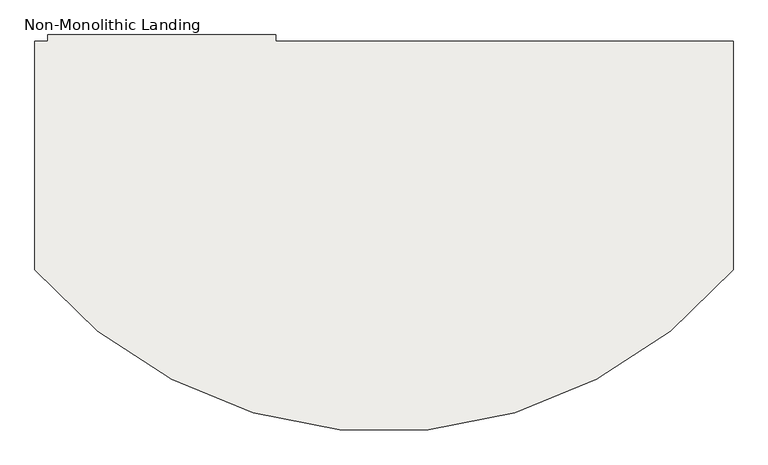
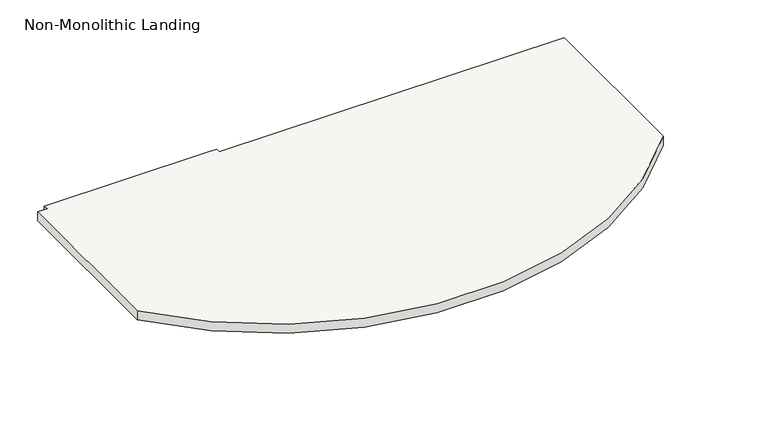
"""IFC4 building model written with IfcOpenShell, lengths in millimetres: slab geometry, Non-Monolithic Landing."""

from ifc_helpers import new_model, si_unit, frame, origin, place, context, project, spatial, circle_curve, source, transform, mapped, element, save
from ifc_brep_helpers import plane_surface, cylinder_surface, advanced_brep


def non_monolithic_landing_85afd6c9(model_context):
    return source(origin(), model_context, "Body", "AdvancedBrep", [
        advanced_brep(
        [(-11679.2352085, -56415.1253753, 2266.95), (-11679.2352085, -56440.5253753, 2241.55), (-12593.6352085, -56440.5253753, 2241.55), (-12593.6352085, -56415.1253753, 2266.95), (-13510.4729688, -56415.1253753, 2286.0), (-13510.4729688, -56389.7253753, 2286.0), (-13561.2729688, -56389.7253753, 2286.0), (-14424.8729688, -56389.7253753, 2286.0), (-14424.8729688, -56415.1253753, 2286.0), (-14475.6729688, -56415.1253753, 2286.0), (-14475.6729688, -57329.5253753, 2286.0), (-11679.2352085, -57329.5253753, 2286.0), (-11679.2352085, -56415.1253753, 2286.0), (-13510.4729688, -56389.7253753, 2235.2), (-13510.4729688, -56415.1253753, 2235.2), (-12593.6352085, -56415.1253753, 2235.2), (-12593.6352085, -56440.5253753, 2235.2), (-11679.2352085, -56440.5253753, 2235.2), (-11679.2352085, -57329.5253753, 2235.2), (-14475.6729688, -57329.5253753, 2235.2), (-14475.6729688, -56415.1253753, 2235.2), (-14424.8729688, -56415.1253753, 2235.2), (-14424.8729688, -56389.7253753, 2235.2), (-13561.2729688, -56389.7253753, 2235.2)],
        [
            (0, 1),
            (1, 2),
            (2, 3),
            (3, 0),
            (4, 5),
            (5, 6),
            (6, 7),
            (7, 8),
            (8, 9),
            (9, 10),
            (10, 11, circle_curve(frame((-13077.4540887, -56150.7576275, 2286.0), z_axis=(0.0, 0.0, 1.0), x_axis=(1.0, 0.0, 0.0)), 1828.8)),
            (11, 12),
            (12, 4),
            (13, 14),
            (14, 15),
            (15, 16),
            (16, 17),
            (17, 18),
            (18, 19, circle_curve(frame((-13077.4540887, -56150.7576275, 2235.2), z_axis=(0.0, 0.0, -1.0), x_axis=(1.0, 0.0, 0.0)), 1828.8)),
            (19, 20),
            (20, 21),
            (21, 22),
            (22, 23),
            (23, 13),
            (16, 2),
            (1, 17),
            (15, 3),
            (6, 23),
            (22, 7),
            (9, 20),
            (19, 10),
            (11, 18),
            (0, 12),
            (4, 14),
            (13, 5),
            (21, 8),
        ],
        [
            plane_surface(frame((-12593.6352085, -56415.1253753, 2266.95), z_axis=(0.0, 0.7071067811865489, -0.7071067811865461), x_axis=(1.0, 0.0, 0.0))),
            plane_surface(frame((-13510.4729688, -56415.1253753, 2286.0), z_axis=(0.0, 0.0, 1.0), x_axis=(0.0, 1.0, 0.0))),
            plane_surface(frame((-13510.4729688, -56415.1253753, 2235.2), z_axis=(0.0, 0.0, -1.0), x_axis=(0.0, -1.0, 0.0))),
            plane_surface(frame((-11679.2352085, -56440.5253753, 2286.0), z_axis=(0.0, 1.0, 0.0), x_axis=(0.0, 0.0, -1.0))),
            plane_surface(frame((-12593.6352085, -56440.5253753, 2286.0), z_axis=(1.0, 0.0, 0.0), x_axis=(0.0, 0.0, -1.0))),
            plane_surface(frame((-13561.2729688, -56389.7253753, 2286.0), z_axis=(0.0, 1.0, 0.0), x_axis=(0.0, 0.0, -1.0))),
            plane_surface(frame((-14475.6729688, -56415.1253753, 2286.0), z_axis=(-1.0, 0.0, 0.0), x_axis=(0.0, 0.0, -1.0))),
            plane_surface(frame((-11679.2352085, -57329.5253753, 2286.0), z_axis=(1.0, 0.0, 0.0), x_axis=(0.0, 0.0, -1.0))),
            plane_surface(frame((-13510.4729688, -56415.1253753, 2286.0), z_axis=(1.0, 0.0, 0.0), x_axis=(0.0, 0.0, -1.0))),
            cylinder_surface(frame((-13077.4540887, -56150.7576275, 2235.2), z_axis=(0.0, 0.0, 1.0), x_axis=(1.0, 0.0, 0.0)), 1828.8),
            plane_surface(frame((-13510.4729688, -56389.7253753, 2286.0), z_axis=(0.0, 1.0, 0.0), x_axis=(0.0, 0.0, -1.0))),
            plane_surface(frame((-14424.8729688, -56389.7253753, 2286.0), z_axis=(-1.0, 0.0, 0.0), x_axis=(0.0, 0.0, -1.0))),
            plane_surface(frame((-14424.8729688, -56415.1253753, 2286.0), z_axis=(0.0, 1.0, 0.0), x_axis=(0.0, 0.0, -1.0))),
            plane_surface(frame((-12593.6352085, -56415.1253753, 2286.0), z_axis=(0.0, 1.0, 0.0), x_axis=(0.0, 0.0, -1.0))),
        ],
        [
            (0, [[1, 2, 3, 4]]),
            (1, [[5, 6, 7, 8, 9, 10, 11, 12, 13]]),
            (2, [[14, 15, 16, 17, 18, 19, 20, 21, 22, 23, 24]]),
            (3, [[-17, 25, -2, 26]]),
            (4, [[-16, 27, -3, -25]]),
            (5, [[-7, 28, -23, 29]]),
            (6, [[-10, 30, -20, 31]]),
            (7, [[-12, 32, -18, -26, -1, 33]]),
            (8, [[-5, 34, -14, 35]]),
            (9, [[-11, -31, -19, -32]]),
            (10, [[-6, -35, -24, -28]]),
            (11, [[-8, -29, -22, 36]]),
            (12, [[-9, -36, -21, -30]]),
            (13, [[-13, -33, -4, -27, -15, -34]]),
        ],
    ),
    ])


if __name__ == "__main__":
    model = new_model("IFC4")
    model_context = context("Model", 3, world=origin())
    ifc_project = project(units=[si_unit("LENGTHUNIT", "METRE", prefix="MILLI")], contexts=[model_context])
    site = spatial("IfcSite", under=ifc_project)
    building = spatial("IfcBuilding", under=site)
    placement = place(None, origin())
    non_monolithic_landing_shape = non_monolithic_landing_85afd6c9(model_context)
    element("IfcSlab", 1, ObjectType="Non-Monolithic Landing", at=placement, inside=building, context=model_context, shape_type="MappedRepresentation", body=[
        mapped(non_monolithic_landing_shape, transform((0.0, 0.0, 0.0), x_axis=(1.0, 0.0, 0.0), y_axis=(0.0, 1.0, 0.0), z_axis=(0.0, 0.0, 1.0))),
    ])
    save(model, "model.ifc")
